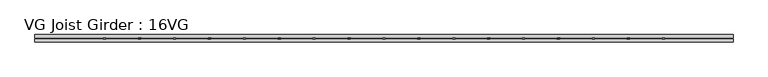
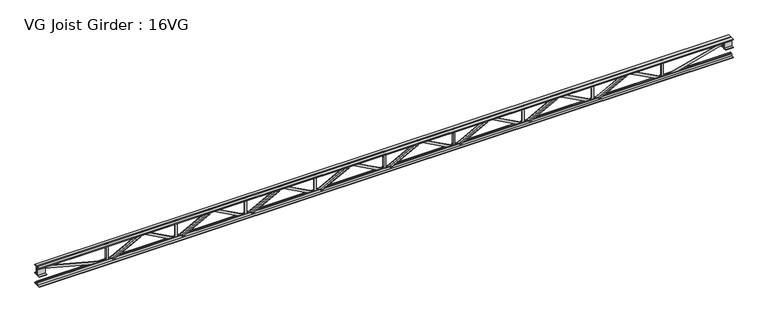
"""IFC4 building model written with IfcOpenShell, lengths in millimetres: beam geometry, VG Joist Girder : 16VG."""

from ifc_helpers import new_model, si_unit, frame, origin, place, context, project, spatial, polyline, outline, extrude, faceted_brep, source, transform, mapped, element, save


def vg_joist_girder_16vg_ae61bb77(model_context):
    return source(origin(), model_context, "Body", "SolidModel", [
        faceted_brep([(4271.01, -12.7, -152.4), (4271.01, 0.0, -152.4), (4271.01, 0.0, -203.2), (4271.01, -12.7, -203.2), (4290.0116306, -12.7, -152.4), (4290.0116306, 0.0, -152.4), (4951.0466306, 0.0, 203.2), (5008.245, 0.0, 203.2), (5008.245, 0.0, 152.4), (4963.8433694, 0.0, 152.4), (4302.8083694, 0.0, -203.2), (4302.8083694, -12.7, -203.2), (4381.8939989, -12.7, -160.6563376), (4375.8774164, -12.7, -149.4719407), (4942.009661, -12.7, 155.0756645), (4948.0262435, -12.7, 143.8912675), (4963.8433694, -12.7, 152.4), (5008.245, -12.7, 152.4), (5008.245, -12.7, 203.2), (4951.0466306, -12.7, 203.2), (4948.0262435, -50.8, 143.8912675), (4381.8939989, -50.8, -160.6563376), (4375.8774164, -50.8, -149.4719407), (4942.009661, -50.8, 155.0756645)], [[[0, 1, 2, 3]], [[1, 0, 4, 5]], [[2, 1, 5, 6, 7, 8, 9, 10]], [[3, 2, 10, 11]], [[0, 3, 11, 12, 13, 14, 15, 16, 17, 18, 19, 4]], [[5, 4, 19, 6]], [[10, 9, 16, 15, 20, 21, 12, 11]], [[8, 7, 18, 17]], [[7, 6, 19, 18]], [[9, 8, 17, 16]], [[21, 22, 13, 12]], [[20, 15, 14, 23]], [[22, 21, 20, 23]], [[13, 22, 23, 14]]]),
        extrude(outline(polyline([(203.2, 5720.08), (203.2, 5669.28), (120.65, 5669.28), (109.5375, 5680.3925), (-109.5375, 5680.3925), (-120.65, 5669.28), (-203.2, 5669.28), (-203.2, 5720.08), (203.2, 5720.08)])), frame((0.0, -12.7, 0.0), z_axis=(0.0, 1.0, 0.0), x_axis=(0.0, 0.0, 1.0)), (0.0, 0.0, 1.0), 25.4),
        extrude(outline(polyline([(203.2, 4296.41), (203.2, 4245.61), (120.65, 4245.61), (109.5375, 4256.7225), (-109.5375, 4256.7225), (-120.65, 4245.61), (-203.2, 4245.61), (-203.2, 4296.41), (203.2, 4296.41)])), frame((0.0, -12.7, 0.0), z_axis=(0.0, 1.0, 0.0), x_axis=(0.0, 0.0, 1.0)), (0.0, 0.0, 1.0), 25.4),
        extrude(outline(polyline([(0.0, -38.1), (0.0, 0.0), (642.8490975, 0.0), (642.8490975, -38.1), (0.0, -38.1)])), frame((5583.7960011, 12.7, -160.6563376), z_axis=(0.4737466480662303, 0.0, 0.8806611797087525), x_axis=(-0.8806611797087525, 0.0, 0.4737466480662303)), (0.0, 0.0, 1.0), 12.7),
        extrude(outline(polyline([(-203.2, 5694.68), (-152.4, 5694.68), (-152.4, 5675.6783694), (203.2, 5014.6433694), (203.2, 4957.445), (152.4, 4957.445), (152.4, 5001.8466306), (-203.2, 5662.8816306), (-203.2, 5694.68)])), frame((0.0, 0.0, 0.0), z_axis=(0.0, 1.0, 0.0), x_axis=(0.0, 0.0, 1.0)), (0.0, 0.0, 1.0), 12.7),
        extrude(outline(polyline([(203.2, 2872.74), (203.2, 2821.94), (120.65, 2821.94), (109.5375, 2833.0525), (-109.5375, 2833.0525), (-120.65, 2821.94), (-203.2, 2821.94), (-203.2, 2872.74), (203.2, 2872.74)])), frame((0.0, -12.7, 0.0), z_axis=(0.0, 1.0, 0.0), x_axis=(0.0, 0.0, 1.0)), (0.0, 0.0, 1.0), 25.4),
        faceted_brep([(4271.01, 0.0, -152.4), (4271.01, 0.0, -203.2), (4271.01, 12.7, -203.2), (4271.01, 12.7, -152.4), (4252.0083694, 0.0, -152.4), (3590.9733694, 0.0, 203.2), (3533.775, 0.0, 203.2), (3533.775, 0.0, 152.4), (3578.1766306, 0.0, 152.4), (4239.2116306, 0.0, -203.2), (4239.2116306, 12.7, -203.2), (4160.1260011, 12.7, -160.6563376), (4166.1425836, 12.7, -149.4719407), (3600.010339, 12.7, 155.0756645), (3593.9937565, 12.7, 143.8912675), (3578.1766306, 12.7, 152.4), (3533.775, 12.7, 152.4), (3533.775, 12.7, 203.2), (3590.9733694, 12.7, 203.2), (4252.0083694, 12.7, -152.4), (3593.9937565, 50.8, 143.8912675), (4160.1260011, 50.8, -160.6563376), (4166.1425836, 50.8, -149.4719407), (3600.010339, 50.8, 155.0756645)], [[[0, 1, 2, 3]], [[1, 0, 4, 5, 6, 7, 8, 9]], [[2, 1, 9, 10]], [[3, 2, 10, 11, 12, 13, 14, 15, 16, 17, 18, 19]], [[0, 3, 19, 4]], [[9, 8, 15, 14, 20, 21, 11, 10]], [[5, 4, 19, 18]], [[7, 6, 17, 16]], [[8, 7, 16, 15]], [[6, 5, 18, 17]], [[11, 21, 22, 12]], [[13, 23, 20, 14]], [[22, 21, 20, 23]], [[12, 22, 23, 13]]]),
        extrude(outline(polyline([(0.0, -38.1), (0.0, 0.0), (642.8490975, 0.0), (642.8490975, -38.1), (0.0, -38.1)])), frame((2958.2239989, -12.7, -160.6563376), z_axis=(-0.47374664806622946, 0.0, 0.8806611797087528), x_axis=(0.8806611797087528, 0.0, 0.47374664806622946)), (0.0, 0.0, 1.0), 12.7),
        extrude(outline(polyline([(-152.4, 2847.34), (-203.2, 2847.34), (-203.2, 2879.1383694), (152.4, 3540.1733694), (152.4, 3584.575), (203.2, 3584.575), (203.2, 3527.3766306), (-152.4, 2866.3416306), (-152.4, 2847.34)])), frame((0.0, -12.7, 0.0), z_axis=(0.0, 1.0, 0.0), x_axis=(0.0, 0.0, 1.0)), (0.0, 0.0, 1.0), 12.7),
        extrude(outline(polyline([(203.2, 1449.07), (203.2, 1398.27), (120.65, 1398.27), (109.5375, 1409.3825), (-109.5375, 1409.3825), (-120.65, 1398.27), (-203.2, 1398.27), (-203.2, 1449.07), (203.2, 1449.07)])), frame((0.0, -12.7, 0.0), z_axis=(0.0, 1.0, 0.0), x_axis=(0.0, 0.0, 1.0)), (0.0, 0.0, 1.0), 25.4),
        faceted_brep([(2847.34, 0.0, -152.4), (2847.34, 0.0, -203.2), (2847.34, 12.7, -203.2), (2847.34, 12.7, -152.4), (2828.3383694, 0.0, -152.4), (2167.3033694, 0.0, 203.2), (2110.105, 0.0, 203.2), (2110.105, 0.0, 152.4), (2154.5066306, 0.0, 152.4), (2815.5416306, 0.0, -203.2), (2815.5416306, 12.7, -203.2), (2736.4560011, 12.7, -160.6563376), (2742.4725836, 12.7, -149.4719407), (2176.340339, 12.7, 155.0756645), (2170.3237565, 12.7, 143.8912675), (2154.5066306, 12.7, 152.4), (2110.105, 12.7, 152.4), (2110.105, 12.7, 203.2), (2167.3033694, 12.7, 203.2), (2828.3383694, 12.7, -152.4), (2170.3237565, 50.8, 143.8912675), (2736.4560011, 50.8, -160.6563376), (2742.4725836, 50.8, -149.4719407), (2176.340339, 50.8, 155.0756645)], [[[0, 1, 2, 3]], [[1, 0, 4, 5, 6, 7, 8, 9]], [[2, 1, 9, 10]], [[3, 2, 10, 11, 12, 13, 14, 15, 16, 17, 18, 19]], [[0, 3, 19, 4]], [[9, 8, 15, 14, 20, 21, 11, 10]], [[5, 4, 19, 18]], [[7, 6, 17, 16]], [[8, 7, 16, 15]], [[6, 5, 18, 17]], [[11, 21, 22, 12]], [[13, 23, 20, 14]], [[22, 21, 20, 23]], [[12, 22, 23, 13]]]),
        extrude(outline(polyline([(0.0, -38.1), (0.0, 0.0), (642.8490975, 0.0), (642.8490975, -38.1), (0.0, -38.1)])), frame((1534.5539989, -12.7, -160.6563376), z_axis=(-0.47374664806622946, 0.0, 0.8806611797087528), x_axis=(0.8806611797087528, 0.0, 0.47374664806622946)), (0.0, 0.0, 1.0), 12.7),
        extrude(outline(polyline([(-152.4, 1423.67), (-203.2, 1423.67), (-203.2, 1455.4683694), (152.4, 2116.5033694), (152.4, 2160.905), (203.2, 2160.905), (203.2, 2103.7066306), (-152.4, 1442.6716306), (-152.4, 1423.67)])), frame((0.0, -12.7, 0.0), z_axis=(0.0, 1.0, 0.0), x_axis=(0.0, 0.0, 1.0)), (0.0, 0.0, 1.0), 12.7),
        extrude(outline(polyline([(203.2, 25.4), (203.2, -25.4), (120.65, -25.4), (109.5375, -14.2875), (-109.5375, -14.2875), (-120.65, -25.4), (-203.2, -25.4), (-203.2, 25.4), (203.2, 25.4)])), frame((0.0, -12.7, 0.0), z_axis=(0.0, 1.0, 0.0), x_axis=(0.0, 0.0, 1.0)), (0.0, 0.0, 1.0), 25.4),
        faceted_brep([(1423.67, 0.0, -152.4), (1423.67, 0.0, -203.2), (1423.67, 12.7, -203.2), (1423.67, 12.7, -152.4), (1404.6683694, 0.0, -152.4), (743.6333694, 0.0, 203.2), (686.435, 0.0, 203.2), (686.435, 0.0, 152.4), (730.8366306, 0.0, 152.4), (1391.8716306, 0.0, -203.2), (1391.8716306, 12.7, -203.2), (1312.7860011, 12.7, -160.6563376), (1318.8025836, 12.7, -149.4719407), (752.670339, 12.7, 155.0756645), (746.6537565, 12.7, 143.8912675), (730.8366306, 12.7, 152.4), (686.435, 12.7, 152.4), (686.435, 12.7, 203.2), (743.6333694, 12.7, 203.2), (1404.6683694, 12.7, -152.4), (746.6537565, 50.8, 143.8912675), (1312.7860011, 50.8, -160.6563376), (1318.8025836, 50.8, -149.4719407), (752.670339, 50.8, 155.0756645)], [[[0, 1, 2, 3]], [[1, 0, 4, 5, 6, 7, 8, 9]], [[2, 1, 9, 10]], [[3, 2, 10, 11, 12, 13, 14, 15, 16, 17, 18, 19]], [[0, 3, 19, 4]], [[9, 8, 15, 14, 20, 21, 11, 10]], [[5, 4, 19, 18]], [[7, 6, 17, 16]], [[8, 7, 16, 15]], [[6, 5, 18, 17]], [[11, 21, 22, 12]], [[13, 23, 20, 14]], [[22, 21, 20, 23]], [[12, 22, 23, 13]]]),
        extrude(outline(polyline([(0.0, -38.1), (0.0, 0.0), (642.8490975, 0.0), (642.8490975, -38.1), (0.0, -38.1)])), frame((110.8839989, -12.7, -160.6563376), z_axis=(-0.47374664806622946, 0.0, 0.8806611797087528), x_axis=(0.8806611797087528, 0.0, 0.47374664806622946)), (0.0, 0.0, 1.0), 12.7),
        extrude(outline(polyline([(-152.4, 0.0), (-203.2, 0.0), (-203.2, 31.7983694), (152.4, 692.8333694), (152.4, 737.235), (203.2, 737.235), (203.2, 680.0366306), (-152.4, 19.0016306), (-152.4, 0.0)])), frame((0.0, -12.7, 0.0), z_axis=(0.0, 1.0, 0.0), x_axis=(0.0, 0.0, 1.0)), (0.0, 0.0, 1.0), 12.7),
        extrude(outline(polyline([(203.2, -1398.27), (203.2, -1449.07), (120.65, -1449.07), (109.5375, -1437.9575), (-109.5375, -1437.9575), (-120.65, -1449.07), (-203.2, -1449.07), (-203.2, -1398.27), (203.2, -1398.27)])), frame((0.0, -12.7, 0.0), z_axis=(0.0, 1.0, 0.0), x_axis=(0.0, 0.0, 1.0)), (0.0, 0.0, 1.0), 25.4),
        faceted_brep([(0.0, 0.0, -152.4), (0.0, 0.0, -203.2), (0.0, 12.7, -203.2), (0.0, 12.7, -152.4), (-19.0016306, 0.0, -152.4), (-680.0366306, 0.0, 203.2), (-737.235, 0.0, 203.2), (-737.235, 0.0, 152.4), (-692.8333694, 0.0, 152.4), (-31.7983694, 0.0, -203.2), (-31.7983694, 12.7, -203.2), (-110.8839989, 12.7, -160.6563376), (-104.8674164, 12.7, -149.4719407), (-670.999661, 12.7, 155.0756645), (-677.0162435, 12.7, 143.8912675), (-692.8333694, 12.7, 152.4), (-737.235, 12.7, 152.4), (-737.235, 12.7, 203.2), (-680.0366306, 12.7, 203.2), (-19.0016306, 12.7, -152.4), (-677.0162435, 50.8, 143.8912675), (-110.8839989, 50.8, -160.6563376), (-104.8674164, 50.8, -149.4719407), (-670.999661, 50.8, 155.0756645)], [[[0, 1, 2, 3]], [[1, 0, 4, 5, 6, 7, 8, 9]], [[2, 1, 9, 10]], [[3, 2, 10, 11, 12, 13, 14, 15, 16, 17, 18, 19]], [[0, 3, 19, 4]], [[9, 8, 15, 14, 20, 21, 11, 10]], [[5, 4, 19, 18]], [[7, 6, 17, 16]], [[8, 7, 16, 15]], [[6, 5, 18, 17]], [[11, 21, 22, 12]], [[13, 23, 20, 14]], [[22, 21, 20, 23]], [[12, 22, 23, 13]]]),
        extrude(outline(polyline([(0.0, -38.1), (0.0, 0.0), (642.8490975, 0.0), (642.8490975, -38.1), (0.0, -38.1)])), frame((-1312.7860011, -12.7, -160.6563376), z_axis=(-0.47374664806622946, 0.0, 0.8806611797087528), x_axis=(0.8806611797087528, 0.0, 0.47374664806622946)), (0.0, 0.0, 1.0), 12.7),
        extrude(outline(polyline([(-152.4, -1423.67), (-203.2, -1423.67), (-203.2, -1391.8716306), (152.4, -730.8366306), (152.4, -686.435), (203.2, -686.435), (203.2, -743.6333694), (-152.4, -1404.6683694), (-152.4, -1423.67)])), frame((0.0, -12.7, 0.0), z_axis=(0.0, 1.0, 0.0), x_axis=(0.0, 0.0, 1.0)), (0.0, 0.0, 1.0), 12.7),
        extrude(outline(polyline([(203.2, -2821.94), (203.2, -2872.74), (120.65, -2872.74), (109.5375, -2861.6275), (-109.5375, -2861.6275), (-120.65, -2872.74), (-203.2, -2872.74), (-203.2, -2821.94), (203.2, -2821.94)])), frame((0.0, -12.7, 0.0), z_axis=(0.0, 1.0, 0.0), x_axis=(0.0, 0.0, 1.0)), (0.0, 0.0, 1.0), 25.4),
        faceted_brep([(-1423.67, 0.0, -152.4), (-1423.67, 0.0, -203.2), (-1423.67, 12.7, -203.2), (-1423.67, 12.7, -152.4), (-1442.6716306, 0.0, -152.4), (-2103.7066306, 0.0, 203.2), (-2160.905, 0.0, 203.2), (-2160.905, 0.0, 152.4), (-2116.5033694, 0.0, 152.4), (-1455.4683694, 0.0, -203.2), (-1455.4683694, 12.7, -203.2), (-1534.5539989, 12.7, -160.6563376), (-1528.5374164, 12.7, -149.4719407), (-2094.669661, 12.7, 155.0756645), (-2100.6862435, 12.7, 143.8912675), (-2116.5033694, 12.7, 152.4), (-2160.905, 12.7, 152.4), (-2160.905, 12.7, 203.2), (-2103.7066306, 12.7, 203.2), (-1442.6716306, 12.7, -152.4), (-2100.6862435, 50.8, 143.8912675), (-1534.5539989, 50.8, -160.6563376), (-1528.5374164, 50.8, -149.4719407), (-2094.669661, 50.8, 155.0756645)], [[[0, 1, 2, 3]], [[1, 0, 4, 5, 6, 7, 8, 9]], [[2, 1, 9, 10]], [[3, 2, 10, 11, 12, 13, 14, 15, 16, 17, 18, 19]], [[0, 3, 19, 4]], [[9, 8, 15, 14, 20, 21, 11, 10]], [[5, 4, 19, 18]], [[7, 6, 17, 16]], [[8, 7, 16, 15]], [[6, 5, 18, 17]], [[11, 21, 22, 12]], [[13, 23, 20, 14]], [[22, 21, 20, 23]], [[12, 22, 23, 13]]]),
        extrude(outline(polyline([(0.0, -38.1), (0.0, 0.0), (642.8490975, 0.0), (642.8490975, -38.1), (0.0, -38.1)])), frame((-2736.4560011, -12.7, -160.6563376), z_axis=(-0.47374664806622946, 0.0, 0.8806611797087528), x_axis=(0.8806611797087528, 0.0, 0.47374664806622946)), (0.0, 0.0, 1.0), 12.7),
        extrude(outline(polyline([(-152.4, -2847.34), (-203.2, -2847.34), (-203.2, -2815.5416306), (152.4, -2154.5066306), (152.4, -2110.105), (203.2, -2110.105), (203.2, -2167.3033694), (-152.4, -2828.3383694), (-152.4, -2847.34)])), frame((0.0, -12.7, 0.0), z_axis=(0.0, 1.0, 0.0), x_axis=(0.0, 0.0, 1.0)), (0.0, 0.0, 1.0), 12.7),
        extrude(outline(polyline([(203.2, -4245.61), (203.2, -4296.41), (120.65, -4296.41), (109.5375, -4285.2975), (-109.5375, -4285.2975), (-120.65, -4296.41), (-203.2, -4296.41), (-203.2, -4245.61), (203.2, -4245.61)])), frame((0.0, -12.7, 0.0), z_axis=(0.0, 1.0, 0.0), x_axis=(0.0, 0.0, 1.0)), (0.0, 0.0, 1.0), 25.4),
        faceted_brep([(-2847.34, 0.0, -152.4), (-2847.34, 0.0, -203.2), (-2847.34, 12.7, -203.2), (-2847.34, 12.7, -152.4), (-2866.3416306, 0.0, -152.4), (-3527.3766306, 0.0, 203.2), (-3584.575, 0.0, 203.2), (-3584.575, 0.0, 152.4), (-3540.1733694, 0.0, 152.4), (-2879.1383694, 0.0, -203.2), (-2879.1383694, 12.7, -203.2), (-2958.2239989, 12.7, -160.6563376), (-2952.2074164, 12.7, -149.4719407), (-3518.339661, 12.7, 155.0756645), (-3524.3562435, 12.7, 143.8912675), (-3540.1733694, 12.7, 152.4), (-3584.575, 12.7, 152.4), (-3584.575, 12.7, 203.2), (-3527.3766306, 12.7, 203.2), (-2866.3416306, 12.7, -152.4), (-3524.3562435, 50.8, 143.8912675), (-2958.2239989, 50.8, -160.6563376), (-2952.2074164, 50.8, -149.4719407), (-3518.339661, 50.8, 155.0756645)], [[[0, 1, 2, 3]], [[1, 0, 4, 5, 6, 7, 8, 9]], [[2, 1, 9, 10]], [[3, 2, 10, 11, 12, 13, 14, 15, 16, 17, 18, 19]], [[0, 3, 19, 4]], [[9, 8, 15, 14, 20, 21, 11, 10]], [[5, 4, 19, 18]], [[7, 6, 17, 16]], [[8, 7, 16, 15]], [[6, 5, 18, 17]], [[11, 21, 22, 12]], [[13, 23, 20, 14]], [[22, 21, 20, 23]], [[12, 22, 23, 13]]]),
        extrude(outline(polyline([(0.0, -38.1), (0.0, 0.0), (642.8490975, 0.0), (642.8490975, -38.1), (0.0, -38.1)])), frame((-4160.1260011, -12.7, -160.6563376), z_axis=(-0.47374664806622946, 0.0, 0.8806611797087528), x_axis=(0.8806611797087528, 0.0, 0.47374664806622946)), (0.0, 0.0, 1.0), 12.7),
        extrude(outline(polyline([(-152.4, -4271.01), (-203.2, -4271.01), (-203.2, -4239.2116306), (152.4, -3578.1766306), (152.4, -3533.775), (203.2, -3533.775), (203.2, -3590.9733694), (-152.4, -4252.0083694), (-152.4, -4271.01)])), frame((0.0, -12.7, 0.0), z_axis=(0.0, 1.0, 0.0), x_axis=(0.0, 0.0, 1.0)), (0.0, 0.0, 1.0), 12.7),
        extrude(outline(polyline([(203.2, -5669.28), (203.2, -5720.08), (120.65, -5720.08), (109.5375, -5708.9675), (-109.5375, -5708.9675), (-120.65, -5720.08), (-203.2, -5720.08), (-203.2, -5669.28), (203.2, -5669.28)])), frame((0.0, -12.7, 0.0), z_axis=(0.0, 1.0, 0.0), x_axis=(0.0, 0.0, 1.0)), (0.0, 0.0, 1.0), 25.4),
        faceted_brep([(-4271.01, 0.0, -152.4), (-4271.01, 0.0, -203.2), (-4271.01, 12.7, -203.2), (-4271.01, 12.7, -152.4), (-4290.0116306, 0.0, -152.4), (-4951.0466306, 0.0, 203.2), (-5008.245, 0.0, 203.2), (-5008.245, 0.0, 152.4), (-4963.8433694, 0.0, 152.4), (-4302.8083694, 0.0, -203.2), (-4302.8083694, 12.7, -203.2), (-4381.8939989, 12.7, -160.6563376), (-4375.8774164, 12.7, -149.4719407), (-4942.009661, 12.7, 155.0756645), (-4948.0262435, 12.7, 143.8912675), (-4963.8433694, 12.7, 152.4), (-5008.245, 12.7, 152.4), (-5008.245, 12.7, 203.2), (-4951.0466306, 12.7, 203.2), (-4290.0116306, 12.7, -152.4), (-4948.0262435, 50.8, 143.8912675), (-4381.8939989, 50.8, -160.6563376), (-4375.8774164, 50.8, -149.4719407), (-4942.009661, 50.8, 155.0756645)], [[[0, 1, 2, 3]], [[1, 0, 4, 5, 6, 7, 8, 9]], [[2, 1, 9, 10]], [[3, 2, 10, 11, 12, 13, 14, 15, 16, 17, 18, 19]], [[0, 3, 19, 4]], [[9, 8, 15, 14, 20, 21, 11, 10]], [[5, 4, 19, 18]], [[7, 6, 17, 16]], [[8, 7, 16, 15]], [[6, 5, 18, 17]], [[11, 21, 22, 12]], [[13, 23, 20, 14]], [[22, 21, 20, 23]], [[12, 22, 23, 13]]]),
        extrude(outline(polyline([(0.0, -38.1), (0.0, 0.0), (642.8490975, 0.0), (642.8490975, -38.1), (0.0, -38.1)])), frame((-5583.7960011, -12.7, -160.6563376), z_axis=(-0.47374664806622946, 0.0, 0.8806611797087528), x_axis=(0.8806611797087528, 0.0, 0.47374664806622946)), (0.0, 0.0, 1.0), 12.7),
        extrude(outline(polyline([(-152.4, -5694.68), (-203.2, -5694.68), (-203.2, -5662.8816306), (152.4, -5001.8466306), (152.4, -4957.445), (203.2, -4957.445), (203.2, -5014.6433694), (-152.4, -5675.6783694), (-152.4, -5694.68)])), frame((0.0, -12.7, 0.0), z_axis=(0.0, 1.0, 0.0), x_axis=(0.0, 0.0, 1.0)), (0.0, 0.0, 1.0), 12.7),
        extrude(outline(polyline([(12.7, 203.2), (76.2, 203.2), (76.2, 190.5), (25.4, 190.5), (25.4, 139.7), (12.7, 139.7), (12.7, 203.2)])), frame((-7118.35, 0.0, 0.0), z_axis=(1.0, 0.0, 0.0), x_axis=(0.0, 1.0, 0.0)), (0.0, 0.0, 1.0), 14236.7),
        extrude(outline(polyline([(-12.7, 203.2), (-12.7, 139.7), (-25.4, 139.7), (-25.4, 190.5), (-76.2, 190.5), (-76.2, 203.2), (-12.7, 203.2)])), frame((-7118.35, 0.0, 0.0), z_axis=(1.0, 0.0, 0.0), x_axis=(0.0, 1.0, 0.0)), (0.0, 0.0, 1.0), 14236.7),
        extrude(outline(polyline([(-12.7, 12.7), (-76.2, 12.7), (-76.2, 25.4), (-25.4, 25.4), (-25.4, 139.7), (-12.7, 139.7), (-12.7, 12.7)])), frame((-7118.35, 0.0, 0.0), z_axis=(1.0, 0.0, 0.0), x_axis=(0.0, 1.0, 0.0)), (0.0, 0.0, 1.0), 152.4),
        extrude(outline(polyline([(76.2, 12.7), (12.7, 12.7), (12.7, 139.7), (25.4, 139.7), (25.4, 25.4), (76.2, 25.4), (76.2, 12.7)])), frame((-7118.35, 0.0, 0.0), z_axis=(1.0, 0.0, 0.0), x_axis=(0.0, 1.0, 0.0)), (0.0, 0.0, 1.0), 152.4),
        extrude(outline(polyline([(12.7, 12.7), (12.7, 139.7), (25.4, 139.7), (25.4, 25.4), (76.2, 25.4), (76.2, 12.7), (12.7, 12.7)])), frame((6965.95, 0.0, 0.0), z_axis=(1.0, 0.0, 0.0), x_axis=(0.0, 1.0, 0.0)), (0.0, 0.0, 1.0), 152.4),
        extrude(outline(polyline([(-12.7, 12.7), (-76.2, 12.7), (-76.2, 25.4), (-25.4, 25.4), (-25.4, 139.7), (-12.7, 139.7), (-12.7, 12.7)])), frame((6965.95, 0.0, 0.0), z_axis=(1.0, 0.0, 0.0), x_axis=(0.0, 1.0, 0.0)), (0.0, 0.0, 1.0), 152.4),
        extrude(outline(polyline([(12.7, -203.2), (12.7, -139.7), (25.4, -139.7), (25.4, -190.5), (76.2, -190.5), (76.2, -203.2), (12.7, -203.2)])), frame((-7118.35, 0.0, 0.0), z_axis=(1.0, 0.0, 0.0), x_axis=(0.0, 1.0, 0.0)), (0.0, 0.0, 1.0), 14236.7),
        extrude(outline(polyline([(-12.7, -203.2), (-76.2, -203.2), (-76.2, -190.5), (-25.4, -190.5), (-25.4, -139.7), (-12.7, -139.7), (-12.7, -203.2)])), frame((-7118.35, 0.0, 0.0), z_axis=(1.0, 0.0, 0.0), x_axis=(0.0, 1.0, 0.0)), (0.0, 0.0, 1.0), 14236.7),
        extrude(outline(polyline([(0.0, -12.7), (0.0, 0.0), (1315.0639967, 0.0), (1315.0639967, -12.7), (0.0, -12.7)])), frame((-6972.4503452, 6.35, 115.1458657), z_axis=(0.25591910419998665, 0.0, 0.9666982011493952), x_axis=(0.9666982011493952, 0.0, -0.25591910419998665)), (0.0, 0.0, 1.0), 50.8),
        extrude(outline(polyline([(0.0, -12.7), (0.0, 0.0), (1315.0639967, 0.0), (1315.0639967, -12.7), (0.0, -12.7)])), frame((5701.1803452, -6.35, -221.4041343), z_axis=(-0.25591910419998, 0.0, 0.966698201149397), x_axis=(0.966698201149397, 0.0, 0.25591910419998)), (0.0, 0.0, 1.0), 50.8),
    ])


if __name__ == "__main__":
    model = new_model("IFC4")
    model_context = context("Model", 3, world=origin())
    ifc_project = project(units=[si_unit("LENGTHUNIT", "METRE", prefix="MILLI")], contexts=[model_context])
    site = spatial("IfcSite", under=ifc_project)
    building = spatial("IfcBuilding", under=site)
    placement = place(None, origin())
    vg_joist_girder_16vg_shape = vg_joist_girder_16vg_ae61bb77(model_context)
    element("IfcBeam", 1, ObjectType="VG Joist Girder : 16VG", at=placement, inside=building, context=model_context, shape_type="MappedRepresentation", body=[
        mapped(vg_joist_girder_16vg_shape, transform((0.0, 0.0, 0.0), x_axis=(1.0, 0.0, 0.0), y_axis=(0.0, 1.0, 0.0), z_axis=(0.0, 0.0, 1.0))),
    ])
    save(model, "model.ifc")
